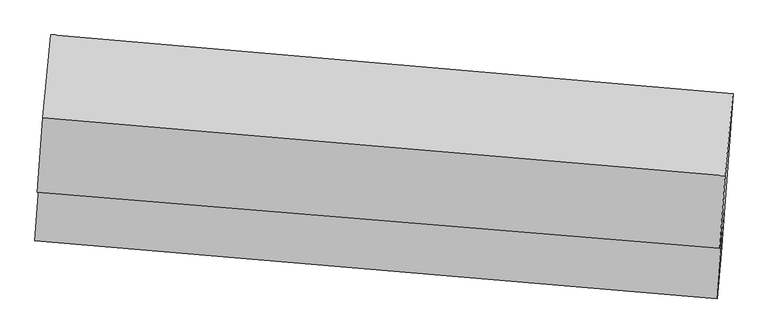
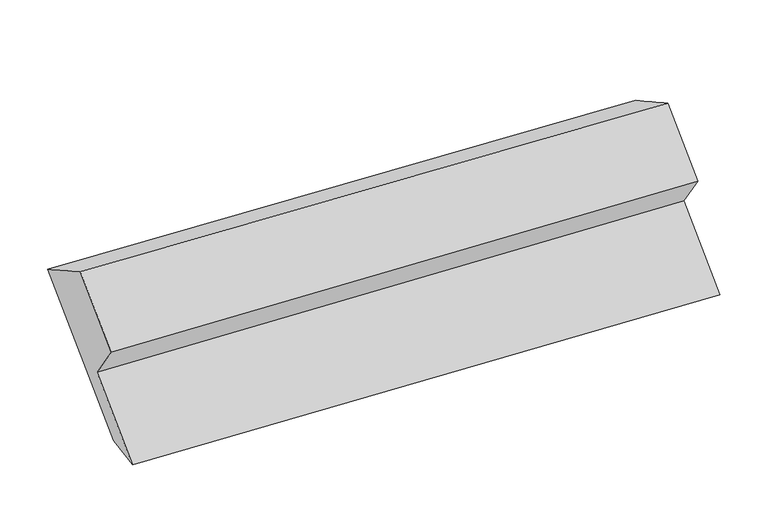
"""IFC4 building model written with IfcOpenShell, lengths in millimetres: proxy geometry."""

import ifcopenshell
import ifcopenshell.guid

model = None  # the IFC model being written
_history = None  # IfcOwnerHistory: only IFC2X3 demands one
_inside = {}  # id of a spatial element -> (the spatial element, [elements in it])
_under = {}  # id of a project, library or spatial element -> (it, [spatial elements below it])
_declared = {}  # id of a project -> (the project, [libraries it declares])
_typed = {}  # id of a type object -> (the type object, [elements of that type])
_made_of = {}  # id of a material, layer set ... -> (it, [elements and type objects made of it])


def new_model(schema):
    """Start an empty IFC model of exactly this schema.

    Asked for "IFC4X3", IfcOpenShell would pick the latest addendum, in which some entities
    have other attributes; the version numbers below select the first issue.
    IFC2X3 requires an IfcOwnerHistory on every rooted entity: one is made here for all.
    """
    global model, _history
    if schema == "IFC4X3":
        model = ifcopenshell.file(schema_version=(4, 3, 0, 0))
    else:
        model = ifcopenshell.file(schema=schema)
    _inside.clear()
    _under.clear()
    _declared.clear()
    _typed.clear()
    _made_of.clear()
    _history = None
    if model.schema == "IFC2X3":
        org = make("IfcOrganization", Name="unknown")
        user = make(
            "IfcPersonAndOrganization",
            ThePerson=make("IfcPerson", FamilyName="unknown"),
            TheOrganization=org,
        )
        app = make(
            "IfcApplication",
            ApplicationDeveloper=org,
            Version="unknown",
            ApplicationFullName="unknown",
            ApplicationIdentifier="unknown",
        )
        _history = make(
            "IfcOwnerHistory",
            OwningUser=user,
            OwningApplication=app,
            ChangeAction="ADDED",
            CreationDate=0,
        )
    return model


def make(cls, **values):
    """One entity of the class cls with the attributes given. An attribute that is None is left unset."""
    return model.create_entity(
        cls, **{name: value for name, value in values.items() if value is not None}
    )


def rooted(cls, **values):
    """An entity with a GlobalId (a new one), such as an element, a storey or a relation."""
    return make(cls, GlobalId=ifcopenshell.guid.new(), OwnerHistory=_history, **values)


def si_unit(unit_type, name, prefix=None):
    """IfcSIUnit, for example si_unit("LENGTHUNIT", "METRE", prefix="MILLI")."""
    return make("IfcSIUnit", UnitType=unit_type, Prefix=prefix, Name=name)


def assignment(units):
    """IfcUnitAssignment: the units of a project."""
    return None if units is None else make("IfcUnitAssignment", Units=units)


def point(xyz):
    """IfcCartesianPoint."""
    return None if xyz is None else make("IfcCartesianPoint", Coordinates=xyz)


def direction(xyz):
    """IfcDirection."""
    return None if xyz is None else make("IfcDirection", DirectionRatios=xyz)


def frame(location, z_axis=None, x_axis=None):
    """IfcAxis2Placement3D, a coordinate frame: its origin and axes. An axis left out is left unset."""
    return make(
        "IfcAxis2Placement3D",
        Location=point(location),
        Axis=direction(z_axis),
        RefDirection=direction(x_axis),
    )


def origin():
    """The frame at (0, 0, 0) with its axes left unset."""
    return frame((0.0, 0.0, 0.0))


def place(relative_to, where):
    """IfcLocalPlacement: puts the frame where relative to a parent placement (None: the world)."""
    return make(
        "IfcLocalPlacement", PlacementRelTo=relative_to, RelativePlacement=where
    )


def context(
    kind, dimensions, precision=None, world=None, true_north=None, identifier=None
):
    """IfcGeometricRepresentationContext, for example the 3D "Model" context."""
    return make(
        "IfcGeometricRepresentationContext",
        ContextIdentifier=identifier,
        ContextType=kind,
        CoordinateSpaceDimension=dimensions,
        Precision=precision,
        WorldCoordinateSystem=world,
        TrueNorth=true_north,
    )


def project(units=None, contexts=None):
    """IfcProject with its units and contexts."""
    return rooted(
        "IfcProject",
        Name="project",
        RepresentationContexts=contexts,
        UnitsInContext=assignment(units),
    )


def spatial(cls, under=None, at=None, **own):
    """A site, building, storey or space (cls), placed at a placement, below another one or the project."""
    s = rooted(cls, ObjectPlacement=at, **own)
    if under is not None:
        _under.setdefault(under.id(), (under, []))[1].append(s)
    return s


def shape(context_of_items, identifier, shape_type, items):
    """IfcShapeRepresentation: the items that make up one representation, for example the "Body"."""
    return make(
        "IfcShapeRepresentation",
        ContextOfItems=context_of_items,
        RepresentationIdentifier=identifier,
        RepresentationType=shape_type,
        Items=items,
    )


def source(mapping_origin, context_of_items, identifier, shape_type, items):
    """IfcRepresentationMap: a shape defined once, which mapped items show again and again."""
    return make(
        "IfcRepresentationMap",
        MappingOrigin=mapping_origin,
        MappedRepresentation=shape(context_of_items, identifier, shape_type, items),
    )


def transform(
    local_origin,
    x_axis=None,
    y_axis=None,
    z_axis=None,
    scale=None,
    scale2=None,
    scale3=None,
    uniform=True,
):
    """IfcCartesianTransformationOperator3D, or its non-uniform kind. x_axis, y_axis, z_axis: its Axis1, 2, 3."""
    if uniform:
        return make(
            "IfcCartesianTransformationOperator3D",
            Axis1=direction(x_axis),
            Axis2=direction(y_axis),
            LocalOrigin=point(local_origin),
            Scale=scale,
            Axis3=direction(z_axis),
        )
    return make(
        "IfcCartesianTransformationOperator3DnonUniform",
        Axis1=direction(x_axis),
        Axis2=direction(y_axis),
        LocalOrigin=point(local_origin),
        Scale=scale,
        Axis3=direction(z_axis),
        Scale2=scale2,
        Scale3=scale3,
    )


def mapped(mapping_source, mapping_target):
    """IfcMappedItem: shows the shape of a source again, moved by a transform."""
    return make(
        "IfcMappedItem", MappingSource=mapping_source, MappingTarget=mapping_target
    )


def made_of(thing, what):
    """Note that an element or type object is made of a material, layer set ...; save() writes the relation."""
    if what is not None:
        _made_of.setdefault(what.id(), (what, []))[1].append(thing)
    return thing


def element(
    cls,
    number,
    at=None,
    inside=None,
    cuts=None,
    type_object=None,
    material=None,
    context=None,
    identifier="Body",
    shape_type=None,
    held_by="IfcProductDefinitionShape",
    body=None,
    shapes=None,
    **own,
):
    """One element of the class cls, such as IfcWall. Its Tag is "e" and its number.

    at: its placement. inside: the storey or other place that contains it. cuts: it is an
    opening in that element (IfcRelVoidsElement). A single representation is given by context,
    identifier, shape_type and body (its items); several are given by shapes. held_by: the class
    of the entity that holds the representations. save() writes the other relations.
    """
    e = rooted(cls, Tag="e%d" % number, ObjectPlacement=at, **own)
    if body is not None:
        shapes = [shape(context, identifier, shape_type, body)]
    if shapes is not None:
        e.Representation = make(held_by, Representations=shapes)
    if inside is not None:
        _inside.setdefault(inside.id(), (inside, []))[1].append(e)
    if cuts is not None:
        rooted(
            "IfcRelVoidsElement", RelatingBuildingElement=cuts, RelatedOpeningElement=e
        )
    if type_object is not None:
        _typed.setdefault(type_object.id(), (type_object, []))[1].append(e)
    return made_of(e, material)


def aggregate(whole, parts):
    """IfcRelAggregates: a whole, such as a stair, and the parts it consists of."""
    return rooted("IfcRelAggregates", RelatingObject=whole, RelatedObjects=parts)


def save(model, path):
    """Write the relations noted so far, then the file.

    IfcRelAggregates (storeys below a building ...), IfcRelContainedInSpatialStructure (elements
    in a storey), IfcRelDefinesByType, IfcRelAssociatesMaterial and IfcRelDeclares: one each for
    every whole, place, type object, material and project.
    """
    for whole, parts in _under.values():
        aggregate(whole, parts)
    for where, things in _inside.values():
        rooted(
            "IfcRelContainedInSpatialStructure",
            RelatedElements=things,
            RelatingStructure=where,
        )
    for kind, things in _typed.values():
        rooted("IfcRelDefinesByType", RelatedObjects=things, RelatingType=kind)
    for what, things in _made_of.values():
        rooted("IfcRelAssociatesMaterial", RelatedObjects=things, RelatingMaterial=what)
    for by, libraries in _declared.values():
        rooted("IfcRelDeclares", RelatingContext=by, RelatedDefinitions=libraries)
    model.write(path)


def plane_surface(at):
    """IfcPlane: the flat surface through the origin of the frame at, square to its z axis."""
    return make("IfcPlane", Position=at)


def spline_surface(u_degree, v_degree, points, u_multiplicities, v_multiplicities, u_knots, v_knots, weights=None):
    """IfcBSplineSurfaceWithKnots; with weights, IfcRationalBSplineSurfaceWithKnots. points: one row for each step in u."""
    own = dict(
        UDegree=u_degree,
        VDegree=v_degree,
        ControlPointsList=[[point(p) for p in row] for row in points],
        SurfaceForm="UNSPECIFIED",
        UClosed=False,
        VClosed=False,
        SelfIntersect=False,
        UMultiplicities=u_multiplicities,
        VMultiplicities=v_multiplicities,
        UKnots=u_knots,
        VKnots=v_knots,
        KnotSpec="UNSPECIFIED",
    )
    if weights is None:
        return make("IfcBSplineSurfaceWithKnots", **own)
    return make("IfcRationalBSplineSurfaceWithKnots", WeightsData=weights, **own)


def advanced_brep(points, edges, surfaces, faces):
    """IfcAdvancedBrep: a solid bounded by faces that lie on surfaces and meet in shared edges.

    An edge is (start, end): straight between two places in points (the first is 0);
    or (start, end, curve); or (start, end, curve, False) where it runs against its curve.
    A face is (place in surfaces, loops), or (place, loops, False) where it looks against
    its surface's normal. A loop lists edges by number (the first is 1), with a minus sign
    where the edge is run from its end to its start. The first loop is the outer one.
    """
    corners = [point(p) for p in points]
    vertices = [make("IfcVertexPoint", VertexGeometry=c) for c in corners]
    made = []
    for start, end, *more in edges:
        made.append(
            make(
                "IfcEdgeCurve",
                EdgeStart=vertices[start],
                EdgeEnd=vertices[end],
                EdgeGeometry=more[0] if more else make("IfcPolyline", Points=[corners[start], corners[end]]),
                SameSense=more[1] if len(more) > 1 else True,
            )
        )
    hull = []
    for where, loops, *sense in faces:
        bounds = []
        for j, loop in enumerate(loops):
            ring = [make("IfcOrientedEdge", EdgeElement=made[abs(k) - 1], Orientation=k > 0) for k in loop]
            bounds.append(
                make(
                    "IfcFaceOuterBound" if j == 0 else "IfcFaceBound",
                    Bound=make("IfcEdgeLoop", EdgeList=ring),
                    Orientation=True,
                )
            )
        hull.append(make("IfcAdvancedFace", Bounds=bounds, FaceSurface=surfaces[where], SameSense=sense[0] if sense else True))
    return make("IfcAdvancedBrep", Outer=make("IfcClosedShell", CfsFaces=hull))


def generic_models_b51dc0a1(model_context):
    return source(origin(), model_context, "Body", "AdvancedBrep", [
        advanced_brep(
        [(-5116.5506984, -1567.4583309, 1368.313683), (-5039.788281, -521.8321776, 2158.3734706), (-554.8941443, -909.4132592, 2252.1910696), (-631.6565618, -1955.0394124, 1462.131282), (-5143.160145, -1875.3131504, 1360.9736643), (-657.6812816, -2254.9293243, 1460.8094307), (-5101.7731949, -1311.5570982, 1786.93947), (-615.7096048, -1683.2083643, 1892.793404), (-5128.8885522, -1556.715662, 2114.0357866), (-642.16308, -1922.3826424, 2211.905346), (-5092.7608184, -1064.5984964, 2485.8723001), (-607.2047997, -1446.1952923, 2571.7055246)],
        [
            (0, 1),
            (1, 2),
            (2, 3),
            (3, 0),
            (4, 0),
            (3, 5),
            (5, 4),
            (6, 4),
            (5, 7),
            (7, 6),
            (8, 6),
            (7, 9),
            (9, 8),
            (10, 8),
            (9, 11),
            (11, 10),
            (1, 10),
            (11, 2),
        ],
        [
            plane_surface(frame((-5078.1694897, -1044.6452542, 1763.3435768), z_axis=(0.06840031013593541, 0.5982349349223208, -0.7983961173576652), x_axis=(0.058472673947677474, 0.7964907718074619, 0.6018167468814426))),
            spline_surface(1, 1, [[(-5143.160145, -1875.3131504, 1360.9736643), (-657.6812816, -2254.9293243, 1460.8094307)], [(-5116.5506984, -1567.4583309, 1368.313683), (-631.6565618, -1955.0394124, 1462.131282)]], [2, 2], [2, 2], [0.0, 1.0], [0.0, 1.0]),
            plane_surface(frame((-5122.46667, -1593.4351243, 1573.9565672), z_axis=(-0.06840031013593743, -0.598234934922312, 0.7983961173576718), x_axis=(-0.05847267394767524, -0.7964907718074686, -0.6018167468814339))),
            plane_surface(frame((-5115.3308735, -1434.1363801, 1950.4876283), z_axis=(-0.05183469115381861, -0.7970495509228211, -0.6016852816603688), x_axis=(0.06618820142067859, 0.5984285673451436, -0.7984374563971399))),
            plane_surface(frame((-5110.8246853, -1310.6570792, 2299.9540434), z_axis=(-0.06618820142067897, -0.5984285673451547, 0.7984374563971315), x_axis=(-0.05847267394767918, -0.7964907718074525, -0.6018167468814547))),
            spline_surface(1, 1, [[(-5039.788281, -521.8321776, 2158.3734706), (-554.8941443, -909.4132592, 2252.1910696)], [(-5092.7608184, -1064.5984964, 2485.8723001), (-607.2047997, -1446.1952923, 2571.7055246)]], [2, 2], [2, 2], [0.0, 1.0], [0.0, 1.0]),
            plane_surface(frame((-618.2182454, -1695.1947158, 1975.2560095), z_axis=(0.9960923995263216, -0.08651994111644702, 0.017726573134757492), x_axis=(0.06618820142067859, 0.5984285673451436, -0.7984374563971399))),
            plane_surface(frame((-5103.8202817, -1316.2458192, 1879.0847291), z_axis=(-0.9960923995263181, 0.08651994111647954, -0.01772657313479728), x_axis=(-0.058472673947676655, -0.796490771807462, -0.6018167468814427))),
        ],
        [
            (0, [[1, 2, 3, 4]]),
            (1, [[5, -4, 6, 7]]),
            (2, [[8, -7, 9, 10]]),
            (3, [[11, -10, 12, 13]]),
            (4, [[14, -13, 15, 16]]),
            (5, [[17, -16, 18, -2]]),
            (6, [[-12, -9, -6, -3, -18, -15]]),
            (7, [[-1, -5, -8, -11, -14, -17]]),
        ],
    ),
    ])


if __name__ == "__main__":
    model = new_model("IFC4")
    model_context = context("Model", 3, world=origin())
    ifc_project = project(units=[si_unit("LENGTHUNIT", "METRE", prefix="MILLI")], contexts=[model_context])
    site = spatial("IfcSite", under=ifc_project)
    building = spatial("IfcBuilding", under=site)
    placement = place(None, origin())
    generic_models_shape = generic_models_b51dc0a1(model_context)
    element("IfcBuildingElementProxy", 1, Name="Generic Models", at=placement, inside=building, context=model_context, shape_type="MappedRepresentation", body=[
        mapped(generic_models_shape, transform((0.0, 0.0, 0.0), x_axis=(1.0, 0.0, 0.0), y_axis=(0.0, 1.0, 0.0), z_axis=(0.0, 0.0, 1.0))),
    ])
    save(model, "model.ifc")
